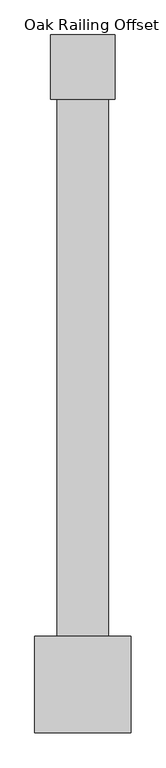
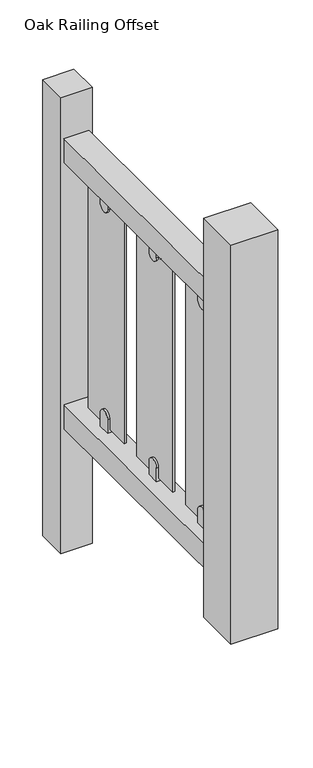
"""IFC4 building model written with IfcOpenShell, lengths in millimetres: railing geometry, Oak Railing Offset."""

from ifc_helpers import new_model, si_unit, point, frame, frame_2d, origin, place, context, project, spatial, polyline, circle_curve, trimmed, segment, composite_curve, outline, extrude, source, transform, mapped, element, save


def oak_railing_offset_4878344f(model_context):
    return source(origin(), model_context, "Body", "SweptSolid", [
        extrude(outline(polyline([(482.6115234, 3022.9535034), (402.6115234, 3022.9535034), (402.6115234, 3982.9535034), (482.6115234, 3982.9535034), (482.6115234, 3022.9535034)])), frame((0.0, 0.0, 820.0), z_axis=(0.0, 0.0, 1.0), x_axis=(1.0, 0.0, 0.0)), (0.0, 0.0, 1.0), 80.0),
        extrude(outline(polyline([(482.6115234, 3022.9535034), (402.6115234, 3022.9535034), (402.6115234, 3982.9535034), (482.6115234, 3982.9535034), (482.6115234, 3022.9535034)])), frame((0.0, 0.0, -80.0), z_axis=(0.0, 0.0, 1.0), x_axis=(1.0, 0.0, 0.0)), (0.0, 0.0, 1.0), 80.0),
        extrude(outline(composite_curve([segment(polyline([(3742.9535034, 810.9791886), (3782.9535034, 810.9791886), (3782.9535034, 765.3149347)]), True, "CONTINUOUS"), segment(trimmed(circle_curve(frame_2d((3762.9535034, 765.3149347)), 20.0), [point((3782.9535034, 765.3149347))], [point((3742.9535034, 765.3149347))], False, "CARTESIAN"), True, "CONTINUOUS"), segment(polyline([(3742.9535034, 765.3149347), (3742.9535034, 810.9791886)]), True, "CONTINUOUS")], self_intersect=False)), frame((432.6115234, 0.0, 0.0), z_axis=(1.0, 0.0, 0.0), x_axis=(0.0, 1.0, 0.0)), (0.0, 0.0, 1.0), 20.0),
        extrude(outline(composite_curve([segment(polyline([(3782.9535034, 9.0208114), (3742.9535034, 9.0208114), (3742.9535034, 54.6850653)]), True, "CONTINUOUS"), segment(trimmed(circle_curve(frame_2d((3762.9535034, 54.6850653)), 20.0), [point((3742.9535034, 54.6850653))], [point((3782.9535034, 54.6850653))], False, "CARTESIAN"), True, "CONTINUOUS"), segment(polyline([(3782.9535034, 54.6850653), (3782.9535034, 9.0208114)]), True, "CONTINUOUS")], self_intersect=False)), frame((432.6115234, 0.0, 0.0), z_axis=(1.0, 0.0, 0.0), x_axis=(0.0, 1.0, 0.0)), (0.0, 0.0, 1.0), 20.0),
        extrude(outline(polyline([(445.6115234, 3662.9535034), (439.6115234, 3662.9535034), (439.6115234, 3862.9535034), (445.6115234, 3862.9535034), (445.6115234, 3662.9535034)])), frame((0.0, 0.0, 20.0), z_axis=(0.0, 0.0, 1.0), x_axis=(1.0, 0.0, 0.0)), (0.0, 0.0, 1.0), 780.0),
        extrude(outline(composite_curve([segment(polyline([(3472.9535034, 810.9791886), (3512.9535034, 810.9791886), (3512.9535034, 765.3149347)]), True, "CONTINUOUS"), segment(trimmed(circle_curve(frame_2d((3492.9535034, 765.3149347)), 20.0), [point((3512.9535034, 765.3149347))], [point((3472.9535034, 765.3149347))], False, "CARTESIAN"), True, "CONTINUOUS"), segment(polyline([(3472.9535034, 765.3149347), (3472.9535034, 810.9791886)]), True, "CONTINUOUS")], self_intersect=False)), frame((432.6115234, 0.0, 0.0), z_axis=(1.0, 0.0, 0.0), x_axis=(0.0, 1.0, 0.0)), (0.0, 0.0, 1.0), 20.0),
        extrude(outline(composite_curve([segment(polyline([(3512.9535034, 9.0208114), (3472.9535034, 9.0208114), (3472.9535034, 54.6850653)]), True, "CONTINUOUS"), segment(trimmed(circle_curve(frame_2d((3492.9535034, 54.6850653)), 20.0), [point((3472.9535034, 54.6850653))], [point((3512.9535034, 54.6850653))], False, "CARTESIAN"), True, "CONTINUOUS"), segment(polyline([(3512.9535034, 54.6850653), (3512.9535034, 9.0208114)]), True, "CONTINUOUS")], self_intersect=False)), frame((432.6115234, 0.0, 0.0), z_axis=(1.0, 0.0, 0.0), x_axis=(0.0, 1.0, 0.0)), (0.0, 0.0, 1.0), 20.0),
        extrude(outline(polyline([(445.6115234, 3392.9535034), (439.6115234, 3392.9535034), (439.6115234, 3592.9535034), (445.6115234, 3592.9535034), (445.6115234, 3392.9535034)])), frame((0.0, 0.0, 20.0), z_axis=(0.0, 0.0, 1.0), x_axis=(1.0, 0.0, 0.0)), (0.0, 0.0, 1.0), 780.0),
        extrude(outline(composite_curve([segment(polyline([(3202.9535034, 810.9791886), (3242.9535034, 810.9791886), (3242.9535034, 765.3149347)]), True, "CONTINUOUS"), segment(trimmed(circle_curve(frame_2d((3222.9535034, 765.3149347)), 20.0), [point((3242.9535034, 765.3149347))], [point((3202.9535034, 765.3149347))], False, "CARTESIAN"), True, "CONTINUOUS"), segment(polyline([(3202.9535034, 765.3149347), (3202.9535034, 810.9791886)]), True, "CONTINUOUS")], self_intersect=False)), frame((432.6115234, 0.0, 0.0), z_axis=(1.0, 0.0, 0.0), x_axis=(0.0, 1.0, 0.0)), (0.0, 0.0, 1.0), 20.0),
        extrude(outline(composite_curve([segment(polyline([(3242.9535034, 9.0208114), (3202.9535034, 9.0208114), (3202.9535034, 54.6850653)]), True, "CONTINUOUS"), segment(trimmed(circle_curve(frame_2d((3222.9535034, 54.6850653)), 20.0), [point((3202.9535034, 54.6850653))], [point((3242.9535034, 54.6850653))], False, "CARTESIAN"), True, "CONTINUOUS"), segment(polyline([(3242.9535034, 54.6850653), (3242.9535034, 9.0208114)]), True, "CONTINUOUS")], self_intersect=False)), frame((432.6115234, 0.0, 0.0), z_axis=(1.0, 0.0, 0.0), x_axis=(0.0, 1.0, 0.0)), (0.0, 0.0, 1.0), 20.0),
        extrude(outline(polyline([(445.6115234, 3122.9535034), (439.6115234, 3122.9535034), (439.6115234, 3322.9535034), (445.6115234, 3322.9535034), (445.6115234, 3122.9535034)])), frame((0.0, 0.0, 20.0), z_axis=(0.0, 0.0, 1.0), x_axis=(1.0, 0.0, 0.0)), (0.0, 0.0, 1.0), 780.0),
        extrude(outline(polyline([(492.6115234, 3932.9535034), (392.6115234, 3932.9535034), (392.6115234, 4032.9535034), (492.6115234, 4032.9535034), (492.6115234, 3932.9535034)])), frame((0.0, 0.0, -500.0), z_axis=(0.0, 0.0, 1.0), x_axis=(1.0, 0.0, 0.0)), (0.0, 0.0, 1.0), 1542.0),
        extrude(outline(polyline([(517.6115234, 2947.9535034), (367.6115234, 2947.9535034), (367.6115234, 3097.9535034), (517.6115234, 3097.9535034), (517.6115234, 2947.9535034)])), frame((0.0, 0.0, -200.0), z_axis=(0.0, 0.0, 1.0), x_axis=(1.0, 0.0, 0.0)), (0.0, 0.0, 1.0), 1350.0),
    ])


if __name__ == "__main__":
    model = new_model("IFC4")
    model_context = context("Model", 3, world=origin())
    ifc_project = project(units=[si_unit("LENGTHUNIT", "METRE", prefix="MILLI")], contexts=[model_context])
    site = spatial("IfcSite", under=ifc_project)
    building = spatial("IfcBuilding", under=site)
    placement = place(None, origin())
    oak_railing_offset_shape = oak_railing_offset_4878344f(model_context)
    element("IfcRailing", 1, ObjectType="Oak Railing Offset", at=placement, inside=building, context=model_context, shape_type="MappedRepresentation", body=[
        mapped(oak_railing_offset_shape, transform((0.0, 0.0, 0.0), x_axis=(1.0, 0.0, 0.0), y_axis=(0.0, 1.0, 0.0), z_axis=(0.0, 0.0, 1.0))),
    ])
    save(model, "model.ifc")
